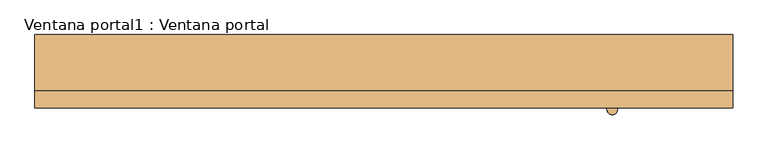
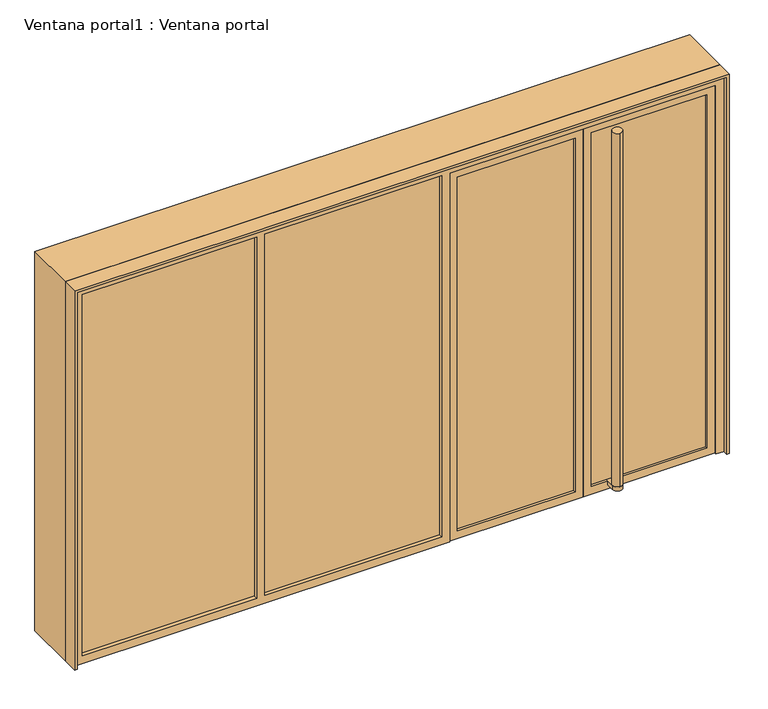
"""IFC4 building model written with IfcOpenShell, lengths in millimetres: door geometry, Ventana portal1 : Ventana portal."""

import ifcopenshell
import ifcopenshell.guid

model = None  # the IFC model being written
_history = None  # IfcOwnerHistory: only IFC2X3 demands one
_inside = {}  # id of a spatial element -> (the spatial element, [elements in it])
_under = {}  # id of a project, library or spatial element -> (it, [spatial elements below it])
_declared = {}  # id of a project -> (the project, [libraries it declares])
_typed = {}  # id of a type object -> (the type object, [elements of that type])
_made_of = {}  # id of a material, layer set ... -> (it, [elements and type objects made of it])


def new_model(schema):
    """Start an empty IFC model of exactly this schema.

    Asked for "IFC4X3", IfcOpenShell would pick the latest addendum, in which some entities
    have other attributes; the version numbers below select the first issue.
    IFC2X3 requires an IfcOwnerHistory on every rooted entity: one is made here for all.
    """
    global model, _history
    if schema == "IFC4X3":
        model = ifcopenshell.file(schema_version=(4, 3, 0, 0))
    else:
        model = ifcopenshell.file(schema=schema)
    _inside.clear()
    _under.clear()
    _declared.clear()
    _typed.clear()
    _made_of.clear()
    _history = None
    if model.schema == "IFC2X3":
        org = make("IfcOrganization", Name="unknown")
        user = make(
            "IfcPersonAndOrganization",
            ThePerson=make("IfcPerson", FamilyName="unknown"),
            TheOrganization=org,
        )
        app = make(
            "IfcApplication",
            ApplicationDeveloper=org,
            Version="unknown",
            ApplicationFullName="unknown",
            ApplicationIdentifier="unknown",
        )
        _history = make(
            "IfcOwnerHistory",
            OwningUser=user,
            OwningApplication=app,
            ChangeAction="ADDED",
            CreationDate=0,
        )
    return model


def make(cls, **values):
    """One entity of the class cls with the attributes given. An attribute that is None is left unset."""
    return model.create_entity(
        cls, **{name: value for name, value in values.items() if value is not None}
    )


def rooted(cls, **values):
    """An entity with a GlobalId (a new one), such as an element, a storey or a relation."""
    return make(cls, GlobalId=ifcopenshell.guid.new(), OwnerHistory=_history, **values)


def si_unit(unit_type, name, prefix=None):
    """IfcSIUnit, for example si_unit("LENGTHUNIT", "METRE", prefix="MILLI")."""
    return make("IfcSIUnit", UnitType=unit_type, Prefix=prefix, Name=name)


def assignment(units):
    """IfcUnitAssignment: the units of a project."""
    return None if units is None else make("IfcUnitAssignment", Units=units)


def point(xyz):
    """IfcCartesianPoint."""
    return None if xyz is None else make("IfcCartesianPoint", Coordinates=xyz)


def direction(xyz):
    """IfcDirection."""
    return None if xyz is None else make("IfcDirection", DirectionRatios=xyz)


def frame(location, z_axis=None, x_axis=None):
    """IfcAxis2Placement3D, a coordinate frame: its origin and axes. An axis left out is left unset."""
    return make(
        "IfcAxis2Placement3D",
        Location=point(location),
        Axis=direction(z_axis),
        RefDirection=direction(x_axis),
    )


def frame_2d(location, x_axis=None):
    """IfcAxis2Placement2D, a coordinate frame in the plane: its origin and x axis."""
    return make(
        "IfcAxis2Placement2D", Location=point(location), RefDirection=direction(x_axis)
    )


def origin():
    """The frame at (0, 0, 0) with its axes left unset."""
    return frame((0.0, 0.0, 0.0))


def place(relative_to, where):
    """IfcLocalPlacement: puts the frame where relative to a parent placement (None: the world)."""
    return make(
        "IfcLocalPlacement", PlacementRelTo=relative_to, RelativePlacement=where
    )


def context(
    kind, dimensions, precision=None, world=None, true_north=None, identifier=None
):
    """IfcGeometricRepresentationContext, for example the 3D "Model" context."""
    return make(
        "IfcGeometricRepresentationContext",
        ContextIdentifier=identifier,
        ContextType=kind,
        CoordinateSpaceDimension=dimensions,
        Precision=precision,
        WorldCoordinateSystem=world,
        TrueNorth=true_north,
    )


def project(units=None, contexts=None):
    """IfcProject with its units and contexts."""
    return rooted(
        "IfcProject",
        Name="project",
        RepresentationContexts=contexts,
        UnitsInContext=assignment(units),
    )


def spatial(cls, under=None, at=None, **own):
    """A site, building, storey or space (cls), placed at a placement, below another one or the project."""
    s = rooted(cls, ObjectPlacement=at, **own)
    if under is not None:
        _under.setdefault(under.id(), (under, []))[1].append(s)
    return s


def polyline(points):
    """IfcPolyline through the points."""
    return make("IfcPolyline", Points=[point(p) for p in points])


def circle_curve(where, radius):
    """IfcCircle in the frame where."""
    return make("IfcCircle", Position=where, Radius=radius)


def trimmed(basis, trim1, trim2, sense, master):
    """IfcTrimmedCurve: the piece of a basis curve between two trims."""
    return make(
        "IfcTrimmedCurve",
        BasisCurve=basis,
        Trim1=trim1,
        Trim2=trim2,
        SenseAgreement=sense,
        MasterRepresentation=master,
    )


def segment(curve, same_sense, transition):
    """IfcCompositeCurveSegment."""
    return make(
        "IfcCompositeCurveSegment",
        Transition=transition,
        SameSense=same_sense,
        ParentCurve=curve,
    )


def composite_curve(segments, self_intersect=None):
    """IfcCompositeCurve: segments joined end to end."""
    return make("IfcCompositeCurve", Segments=segments, SelfIntersect=self_intersect)


def outline(outer, holes=None, kind="AREA"):
    """IfcArbitraryClosedProfileDef: a profile drawn as a closed curve; with holes, ...WithVoids."""
    if holes is None:
        return make("IfcArbitraryClosedProfileDef", ProfileType=kind, OuterCurve=outer)
    return make(
        "IfcArbitraryProfileDefWithVoids",
        ProfileType=kind,
        OuterCurve=outer,
        InnerCurves=holes,
    )


def extrude(swept, where, along, depth):
    """IfcExtrudedAreaSolid: the profile swept, set in the frame where, extruded along a direction by depth."""
    return make(
        "IfcExtrudedAreaSolid",
        SweptArea=swept,
        Position=where,
        ExtrudedDirection=direction(along),
        Depth=depth,
    )


def shape(context_of_items, identifier, shape_type, items):
    """IfcShapeRepresentation: the items that make up one representation, for example the "Body"."""
    return make(
        "IfcShapeRepresentation",
        ContextOfItems=context_of_items,
        RepresentationIdentifier=identifier,
        RepresentationType=shape_type,
        Items=items,
    )


def source(mapping_origin, context_of_items, identifier, shape_type, items):
    """IfcRepresentationMap: a shape defined once, which mapped items show again and again."""
    return make(
        "IfcRepresentationMap",
        MappingOrigin=mapping_origin,
        MappedRepresentation=shape(context_of_items, identifier, shape_type, items),
    )


def transform(
    local_origin,
    x_axis=None,
    y_axis=None,
    z_axis=None,
    scale=None,
    scale2=None,
    scale3=None,
    uniform=True,
):
    """IfcCartesianTransformationOperator3D, or its non-uniform kind. x_axis, y_axis, z_axis: its Axis1, 2, 3."""
    if uniform:
        return make(
            "IfcCartesianTransformationOperator3D",
            Axis1=direction(x_axis),
            Axis2=direction(y_axis),
            LocalOrigin=point(local_origin),
            Scale=scale,
            Axis3=direction(z_axis),
        )
    return make(
        "IfcCartesianTransformationOperator3DnonUniform",
        Axis1=direction(x_axis),
        Axis2=direction(y_axis),
        LocalOrigin=point(local_origin),
        Scale=scale,
        Axis3=direction(z_axis),
        Scale2=scale2,
        Scale3=scale3,
    )


def mapped(mapping_source, mapping_target):
    """IfcMappedItem: shows the shape of a source again, moved by a transform."""
    return make(
        "IfcMappedItem", MappingSource=mapping_source, MappingTarget=mapping_target
    )


def made_of(thing, what):
    """Note that an element or type object is made of a material, layer set ...; save() writes the relation."""
    if what is not None:
        _made_of.setdefault(what.id(), (what, []))[1].append(thing)
    return thing


def element(
    cls,
    number,
    at=None,
    inside=None,
    cuts=None,
    type_object=None,
    material=None,
    context=None,
    identifier="Body",
    shape_type=None,
    held_by="IfcProductDefinitionShape",
    body=None,
    shapes=None,
    **own,
):
    """One element of the class cls, such as IfcWall. Its Tag is "e" and its number.

    at: its placement. inside: the storey or other place that contains it. cuts: it is an
    opening in that element (IfcRelVoidsElement). A single representation is given by context,
    identifier, shape_type and body (its items); several are given by shapes. held_by: the class
    of the entity that holds the representations. save() writes the other relations.
    """
    e = rooted(cls, Tag="e%d" % number, ObjectPlacement=at, **own)
    if body is not None:
        shapes = [shape(context, identifier, shape_type, body)]
    if shapes is not None:
        e.Representation = make(held_by, Representations=shapes)
    if inside is not None:
        _inside.setdefault(inside.id(), (inside, []))[1].append(e)
    if cuts is not None:
        rooted(
            "IfcRelVoidsElement", RelatingBuildingElement=cuts, RelatedOpeningElement=e
        )
    if type_object is not None:
        _typed.setdefault(type_object.id(), (type_object, []))[1].append(e)
    return made_of(e, material)


def aggregate(whole, parts):
    """IfcRelAggregates: a whole, such as a stair, and the parts it consists of."""
    return rooted("IfcRelAggregates", RelatingObject=whole, RelatedObjects=parts)


def save(model, path):
    """Write the relations noted so far, then the file.

    IfcRelAggregates (storeys below a building ...), IfcRelContainedInSpatialStructure (elements
    in a storey), IfcRelDefinesByType, IfcRelAssociatesMaterial and IfcRelDeclares: one each for
    every whole, place, type object, material and project.
    """
    for whole, parts in _under.values():
        aggregate(whole, parts)
    for where, things in _inside.values():
        rooted(
            "IfcRelContainedInSpatialStructure",
            RelatedElements=things,
            RelatingStructure=where,
        )
    for kind, things in _typed.values():
        rooted("IfcRelDefinesByType", RelatedObjects=things, RelatingType=kind)
    for what, things in _made_of.values():
        rooted("IfcRelAssociatesMaterial", RelatedObjects=things, RelatingMaterial=what)
    for by, libraries in _declared.values():
        rooted("IfcRelDeclares", RelatingContext=by, RelatedDefinitions=libraries)
    model.write(path)


def ventana_portal1_ventana_portal_1c2266a5(model_context):
    return source(origin(), model_context, "Body", "SweptSolid", [
        extrude(outline(polyline([(2450.0, 50279.3852488), (0.0, 50279.3852488), (0.0, 50294.3852488), (2435.0, 50294.3852488), (2435.0, 54264.3852488), (0.0, 54264.3852488), (0.0, 54279.3852488), (2450.0, 54279.3852488), (2450.0, 50279.3852488)])), frame((0.0, -8.8235294, 0.0), z_axis=(0.0, 1.0, 0.0), x_axis=(0.0, 0.0, 1.0)), (0.0, 0.0, 1.0), 320.0),
        extrude(outline(polyline([(2450.0, 50279.3852488), (0.0, 50279.3852488), (0.0, 50294.3852488), (2435.0, 50294.3852488), (2435.0, 54264.3852488), (0.0, 54264.3852488), (0.0, 54279.3852488), (2450.0, 54279.3852488), (2450.0, 50279.3852488)])), frame((0.0, -108.8235294, 0.0), z_axis=(0.0, 1.0, 0.0), x_axis=(0.0, 0.0, 1.0)), (0.0, 0.0, 1.0), 100.0),
        extrude(outline(composite_curve([segment(polyline([(53619.3852488, 150.438026), (53619.3852488, 1.9149152)]), True, "CONTINUOUS"), segment(trimmed(circle_curve(frame_2d((53589.3852488, 1.9149152)), 30.0), [point((53619.3852488, 1.9149152))], [point((53559.3852488, 1.9149152))], False, "CARTESIAN"), True, "CONTINUOUS"), segment(polyline([(53559.3852488, 1.9149152), (53559.3852488, 150.438026)]), True, "CONTINUOUS"), segment(trimmed(circle_curve(frame_2d((53589.3852488, 150.438026)), 30.0), [point((53559.3852488, 150.438026))], [point((53619.3852488, 150.438026))], False, "CARTESIAN"), True, "CONTINUOUS")], self_intersect=False)), frame((0.0, 0.0, 2335.0), z_axis=(0.0, 0.0, 1.0), x_axis=(1.0, 0.0, 0.0)), (0.0, 0.0, 1.0), 25.0),
        extrude(outline(polyline([(51409.3852488, -53.8235294), (50329.3852488, -53.8235294), (50329.3852488, -33.8235294), (51409.3852488, -33.8235294), (51409.3852488, -53.8235294)])), frame((0.0, 0.0, 50.0), z_axis=(0.0, 0.0, 1.0), x_axis=(1.0, 0.0, 0.0)), (0.0, 0.0, 1.0), 2335.0),
        extrude(outline(polyline([(52539.3852488, -53.8235294), (51459.3852488, -53.8235294), (51459.3852488, -33.8235294), (52539.3852488, -33.8235294), (52539.3852488, -53.8235294)])), frame((0.0, 0.0, 50.0), z_axis=(0.0, 0.0, 1.0), x_axis=(1.0, 0.0, 0.0)), (0.0, 0.0, 1.0), 2335.0),
        extrude(outline(polyline([(2435.0, 50294.3852488), (0.0, 50294.3852488), (0.0, 52589.3852488), (2385.0, 52589.3852488), (2385.0, 54214.3852488), (0.0, 54214.3852488), (0.0, 54264.3852488), (2435.0, 54264.3852488), (2435.0, 50294.3852488)]), holes=[polyline([(2385.0, 50344.3852488), (2385.0, 51409.3852488), (50.0, 51409.3852488), (50.0, 50344.3852488), (2385.0, 50344.3852488)]), polyline([(50.0, 51459.3852488), (2385.0, 51459.3852488), (2385.0, 52539.3852488), (50.0, 52539.3852488), (50.0, 51459.3852488)])]), frame((0.0, -78.8235294, 0.0), z_axis=(0.0, 1.0, 0.0), x_axis=(0.0, 0.0, 1.0)), (0.0, 0.0, 1.0), 70.0),
        extrude(outline(polyline([(54164.3852488, -53.8235294), (53459.3852488, -53.8235294), (53459.3852488, -33.8235294), (54164.3852488, -33.8235294), (54164.3852488, -53.8235294)])), frame((0.0, 0.0, 50.0), z_axis=(0.0, 0.0, 1.0), x_axis=(1.0, 0.0, 0.0)), (0.0, 0.0, 1.0), 2285.0),
        extrude(outline(polyline([(53359.3852488, -53.8235294), (52639.3852488, -53.8235294), (52639.3852488, -33.8235294), (53359.3852488, -33.8235294), (53359.3852488, -53.8235294)])), frame((0.0, 0.0, 50.0), z_axis=(0.0, 0.0, 1.0), x_axis=(1.0, 0.0, 0.0)), (0.0, 0.0, 1.0), 2285.0),
        extrude(outline(polyline([(2385.0, 52589.3852488), (0.0, 52589.3852488), (0.0, 53409.3852488), (2385.0, 53409.3852488), (2385.0, 52589.3852488)]), holes=[polyline([(2335.0, 53359.3852488), (50.0, 53359.3852488), (50.0, 52639.3852488), (2335.0, 52639.3852488), (2335.0, 53359.3852488)])]), frame((0.0, -68.8235294, 0.0), z_axis=(0.0, 1.0, 0.0), x_axis=(0.0, 0.0, 1.0)), (0.0, 0.0, 1.0), 50.0),
        extrude(outline(composite_curve([segment(polyline([(53619.3852488, 30.438026), (53619.3852488, -118.0850848)]), True, "CONTINUOUS"), segment(trimmed(circle_curve(frame_2d((53589.3852488, -118.0850848)), 30.0), [point((53619.3852488, -118.0850848))], [point((53559.3852488, -118.0850848))], False, "CARTESIAN"), True, "CONTINUOUS"), segment(polyline([(53559.3852488, -118.0850848), (53559.3852488, 30.438026)]), True, "CONTINUOUS"), segment(trimmed(circle_curve(frame_2d((53589.3852488, 30.438026)), 30.0), [point((53559.3852488, 30.438026))], [point((53619.3852488, 30.438026))], False, "CARTESIAN"), True, "CONTINUOUS")], self_intersect=False)), frame((0.0, 0.0, 25.0), z_axis=(0.0, 0.0, 1.0), x_axis=(1.0, 0.0, 0.0)), (0.0, 0.0, 1.0), 25.0),
        extrude(outline(composite_curve([segment(trimmed(circle_curve(frame_2d((53589.3852488, -118.0850848)), 30.0), [point((53589.3852488, -148.0850848))], [point((53589.3852488, -88.0850848))], False, "CARTESIAN"), True, "CONTINUOUS"), segment(trimmed(circle_curve(frame_2d((53589.3852488, -118.0850848)), 30.0), [point((53589.3852488, -88.0850848))], [point((53589.3852488, -148.0850848))], False, "CARTESIAN"), True, "CONTINUOUS")], self_intersect=False)), frame((0.0, 0.0, 50.0), z_axis=(0.0, 0.0, 1.0), x_axis=(1.0, 0.0, 0.0)), (0.0, 0.0, 1.0), 2285.0),
        extrude(outline(composite_curve([segment(trimmed(circle_curve(frame_2d((53589.3852488, 30.438026)), 30.0), [point((53589.3852488, 60.438026))], [point((53589.3852488, 0.438026))], False, "CARTESIAN"), True, "CONTINUOUS"), segment(trimmed(circle_curve(frame_2d((53589.3852488, 30.438026)), 30.0), [point((53589.3852488, 0.438026))], [point((53589.3852488, 60.438026))], False, "CARTESIAN"), True, "CONTINUOUS")], self_intersect=False)), frame((0.0, 0.0, 50.0), z_axis=(0.0, 0.0, 1.0), x_axis=(1.0, 0.0, 0.0)), (0.0, 0.0, 1.0), 2300.0),
        extrude(outline(polyline([(2385.0, 54214.3852488), (2385.0, 53409.3852488), (0.0, 53409.3852488), (0.0, 54214.3852488), (2385.0, 54214.3852488)]), holes=[polyline([(2335.0, 53459.3852488), (2335.0, 54164.3852488), (50.0, 54164.3852488), (50.0, 53459.3852488), (2335.0, 53459.3852488)])]), frame((0.0, -68.8235294, 0.0), z_axis=(0.0, 1.0, 0.0), x_axis=(0.0, 0.0, 1.0)), (0.0, 0.0, 1.0), 50.0),
    ])


if __name__ == "__main__":
    model = new_model("IFC4")
    model_context = context("Model", 3, world=origin())
    ifc_project = project(units=[si_unit("LENGTHUNIT", "METRE", prefix="MILLI")], contexts=[model_context])
    site = spatial("IfcSite", under=ifc_project)
    building = spatial("IfcBuilding", under=site)
    placement = place(None, origin())
    ventana_portal1_ventana_portal_shape = ventana_portal1_ventana_portal_1c2266a5(model_context)
    element("IfcDoor", 1, ObjectType="Ventana portal1 : Ventana portal", at=placement, inside=building, context=model_context, shape_type="MappedRepresentation", body=[
        mapped(ventana_portal1_ventana_portal_shape, transform((0.0, 0.0, 0.0), x_axis=(1.0, 0.0, 0.0), y_axis=(0.0, 1.0, 0.0), z_axis=(0.0, 0.0, 1.0))),
    ])
    save(model, "model.ifc")
